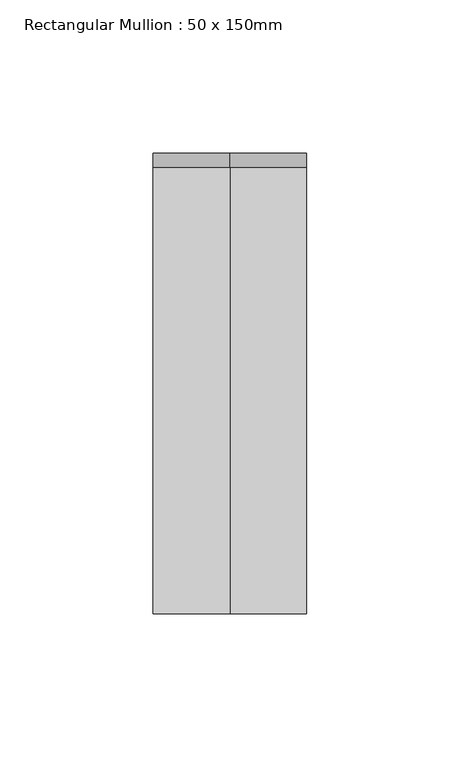
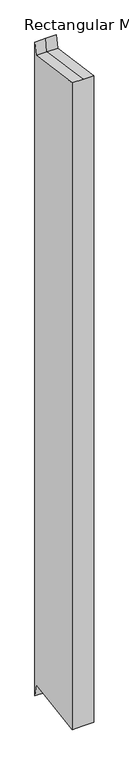
"""IFC4 building model written with IfcOpenShell, lengths in millimetres: member geometry, Rectangular Mullion : 50 x 150mm."""

from ifc_helpers import new_model, si_unit, origin, place, context, project, spatial, faceted_brep, source, transform, mapped, element, save


def rectangular_mullion_50_x_150mm_4d07b8a1(model_context):
    return source(origin(), model_context, "Body", "Brep", [
        faceted_brep([(-25.0, 75.0, 19.4810862), (0.0, 75.0, 19.4810862), (25.0, 75.0, 19.4810862), (25.0, 75.0, -1582.6067781), (0.0, 75.0, -1582.6067781), (-25.0, 75.0, -1582.6067781), (-25.0, -75.0, 10.8257055), (-25.0, 70.5326896, -10.7090982), (-25.0, 70.5326896, -1552.4165937), (-25.0, -75.0, -1573.9513974), (25.0, -75.0, 10.8257055), (0.0, -75.0, 10.8257055), (0.0, -75.0, -1573.9513974), (25.0, -75.0, -1573.9513974), (25.0, 70.5326896, -10.7090982), (25.0, 70.5326896, -1552.4165937), (0.0, 70.5326896, -10.7090982), (0.0, 70.5326896, -1552.4165937)], [[[0, 1, 2, 3, 4, 5]], [[6, 7, 0, 5, 8, 9]], [[10, 11, 6, 9, 12, 13]], [[2, 14, 10, 13, 15, 3]], [[2, 1, 16, 14]], [[1, 0, 7, 16]], [[7, 6, 11, 16]], [[11, 10, 14, 16]], [[3, 15, 17, 4]], [[15, 13, 12, 17]], [[12, 9, 8, 17]], [[8, 5, 4, 17]]]),
    ])


if __name__ == "__main__":
    model = new_model("IFC4")
    model_context = context("Model", 3, world=origin())
    ifc_project = project(units=[si_unit("LENGTHUNIT", "METRE", prefix="MILLI")], contexts=[model_context])
    site = spatial("IfcSite", under=ifc_project)
    building = spatial("IfcBuilding", under=site)
    placement = place(None, origin())
    rectangular_mullion_50_x_150mm_shape = rectangular_mullion_50_x_150mm_4d07b8a1(model_context)
    element("IfcMember", 1, ObjectType="Rectangular Mullion : 50 x 150mm", at=placement, inside=building, context=model_context, shape_type="MappedRepresentation", body=[
        mapped(rectangular_mullion_50_x_150mm_shape, transform((0.0, 0.0, 0.0), x_axis=(1.0, 0.0, 0.0), y_axis=(0.0, 1.0, 0.0), z_axis=(0.0, 0.0, 1.0))),
    ])
    save(model, "model.ifc")
